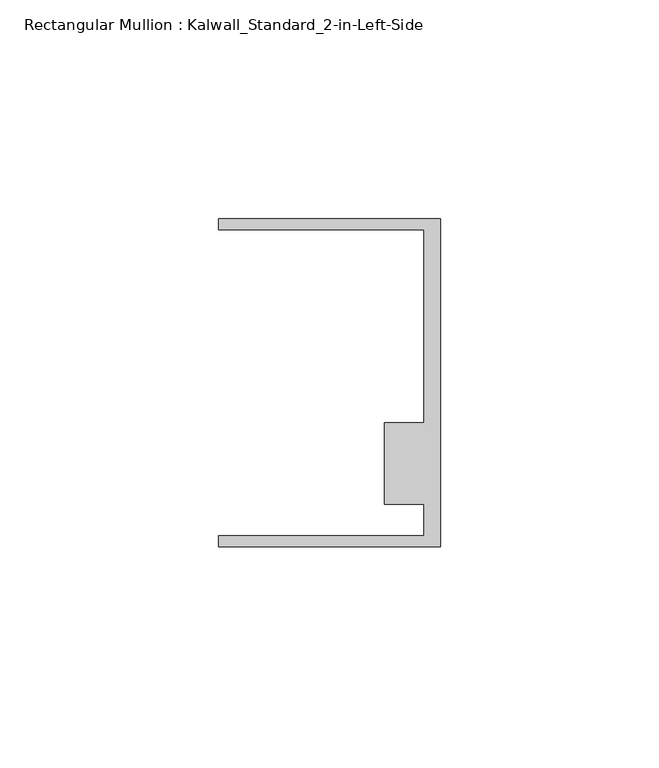
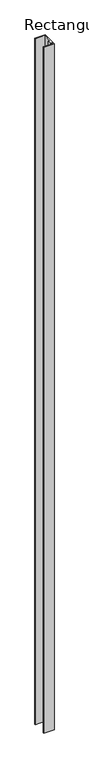
"""IFC4 building model written with IfcOpenShell, lengths in millimetres: member geometry, Rectangular Mullion : Kalwall_Standard_2-in-Left-Side."""

from ifc_helpers import new_model, si_unit, frame, origin, place, context, project, spatial, polyline, outline, extrude, source, transform, mapped, element, save


def rectangular_mullion_kalwall_standard_2_in_left_side_e8aa2de6(model_context):
    return source(origin(), model_context, "Body", "SweptSolid", [
        extrude(outline(polyline([(0.0, -37.5776386), (-50.8, -37.5776386), (-50.8, -35.0376386), (-3.7084, -35.0376386), (-3.7084, -27.8888568), (-12.8272539, -27.8888568), (-12.8272539, -9.1879886), (-3.7084, -9.1879886), (-3.7084, 34.9623614), (-50.8, 34.9623614), (-50.8, 37.5023614), (0.0, 37.5023614), (0.0, -37.5776386)])), frame((0.0, 0.0, -3571.875), z_axis=(0.0, 0.0, 1.0), x_axis=(1.0, 0.0, 0.0)), (0.0, 0.0, 1.0), 3571.875),
    ])


if __name__ == "__main__":
    model = new_model("IFC4")
    model_context = context("Model", 3, world=origin())
    ifc_project = project(units=[si_unit("LENGTHUNIT", "METRE", prefix="MILLI")], contexts=[model_context])
    site = spatial("IfcSite", under=ifc_project)
    building = spatial("IfcBuilding", under=site)
    placement = place(None, origin())
    rectangular_mullion_kalwall_standard_2_in_left_side_shape = rectangular_mullion_kalwall_standard_2_in_left_side_e8aa2de6(model_context)
    element("IfcMember", 1, ObjectType="Rectangular Mullion : Kalwall_Standard_2-in-Left-Side", at=placement, inside=building, context=model_context, shape_type="MappedRepresentation", body=[
        mapped(rectangular_mullion_kalwall_standard_2_in_left_side_shape, transform((0.0, 0.0, 0.0), x_axis=(1.0, 0.0, 0.0), y_axis=(0.0, 1.0, 0.0), z_axis=(0.0, 0.0, 1.0))),
    ])
    save(model, "model.ifc")
